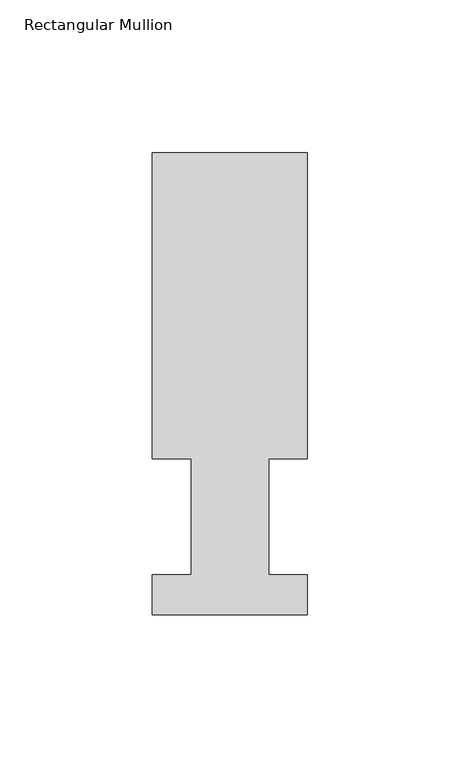
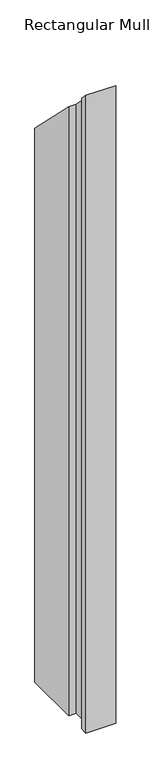
"""IFC4 building model written with IfcOpenShell, lengths in millimetres: member geometry, Rectangular Mullion."""

from ifc_helpers import new_model, si_unit, origin, place, context, project, spatial, faceted_brep, source, transform, mapped, element, save


def rectangular_mullion_8f78fe92(model_context):
    return source(origin(), model_context, "Body", "Brep", [
        faceted_brep([(50.8, 151.7022937, -1155.7), (50.8, 51.2960938, -1155.7), (38.1, 51.2960938, -1155.7), (38.1, 13.1960938, -1155.7), (50.8, 13.1960938, -1155.7), (50.8, 0.0134937, -1155.7), (0.0, 0.0134937, -1155.7), (0.0, 13.1960938, -1155.7), (12.7, 13.1960938, -1155.7), (12.7, 51.2960938, -1155.7), (0.0, 51.2960938, -1155.7), (0.0, 151.7022937, -1155.7), (0.0, 151.7022937, -151.7022937), (50.8, 151.7022937, -151.7022937), (0.0, 51.2960938, -51.2960938), (12.7, 51.2960938, -51.2960938), (12.7, 13.1960938, -13.1960938), (0.0, 13.1960938, -13.1960938), (0.0, 0.0134937, -0.0134937), (50.8, 0.0134937, -0.0134937), (50.8, 13.1960938, -13.1960938), (38.1, 13.1960938, -13.1960938), (38.1, 51.2960938, -51.2960938), (50.8, 51.2960938, -51.2960938)], [[[0, 1, 2, 3, 4, 5, 6, 7, 8, 9, 10, 11]], [[12, 13, 0, 11]], [[14, 12, 11, 10]], [[15, 14, 10, 9]], [[16, 15, 9, 8]], [[17, 16, 8, 7]], [[18, 17, 7, 6]], [[19, 18, 6, 5]], [[20, 19, 5, 4]], [[21, 20, 4, 3]], [[22, 21, 3, 2]], [[23, 22, 2, 1]], [[13, 23, 1, 0]], [[13, 12, 14, 15, 16, 17, 18, 19, 20, 21, 22, 23]]]),
    ])


if __name__ == "__main__":
    model = new_model("IFC4")
    model_context = context("Model", 3, world=origin())
    ifc_project = project(units=[si_unit("LENGTHUNIT", "METRE", prefix="MILLI")], contexts=[model_context])
    site = spatial("IfcSite", under=ifc_project)
    building = spatial("IfcBuilding", under=site)
    placement = place(None, origin())
    rectangular_mullion_shape = rectangular_mullion_8f78fe92(model_context)
    element("IfcMember", 1, ObjectType="Rectangular Mullion", at=placement, inside=building, context=model_context, shape_type="MappedRepresentation", body=[
        mapped(rectangular_mullion_shape, transform((0.0, 0.0, 0.0), x_axis=(1.0, 0.0, 0.0), y_axis=(0.0, 1.0, 0.0), z_axis=(0.0, 0.0, 1.0))),
    ])
    save(model, "model.ifc")
